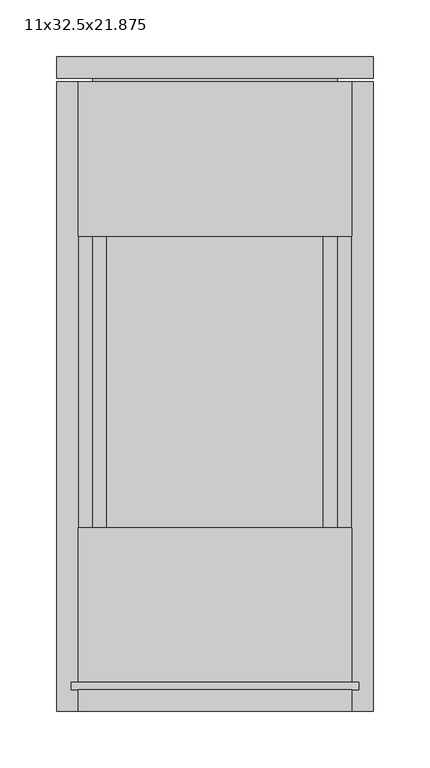
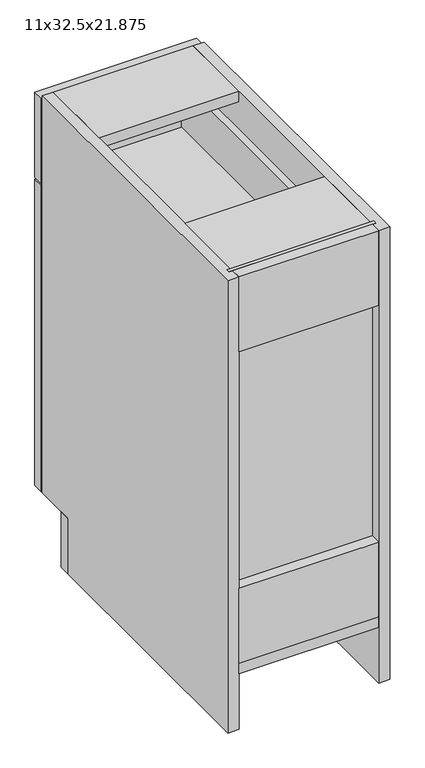
"""IFC4 building model written with IfcOpenShell, lengths in millimetres: furniture geometry, 11x32.5x21.875."""

from ifc_helpers import new_model, si_unit, frame, origin, origin_with_axes, place, context, project, spatial, polyline, outline, extrude, source, transform, mapped, element, save


def furniture_11x32_5x21_875_c1a899d2(model_context):
    return source(origin(), model_context, "Body", "SweptSolid", [
        extrude(outline(polyline([(-120.9622951, 498.475), (158.4377049, 498.475), (158.4377049, 479.425), (-120.9622951, 479.425), (-120.9622951, 498.475)])), origin_with_axes(), (0.0, 0.0, 1.0), 101.6),
        extrude(outline(polyline([(113.9877049, 63.5), (-76.5122951, 63.5), (-76.5122951, 546.1), (113.9877049, 546.1), (113.9877049, 63.5)])), frame((0.0, 0.0, 685.8), z_axis=(0.0, 0.0, 1.0), x_axis=(1.0, 0.0, 0.0)), (0.0, 0.0, 1.0), 6.35),
        extrude(outline(polyline([(126.6877049, 558.8), (126.6877049, 50.8), (-89.2122951, 50.8), (-89.2122951, 558.8), (126.6877049, 558.8)]), holes=[polyline([(113.9877049, 63.5), (113.9877049, 546.1), (-76.5122951, 546.1), (-76.5122951, 63.5), (113.9877049, 63.5)])]), frame((0.0, 0.0, 673.1), z_axis=(0.0, 0.0, 1.0), x_axis=(1.0, 0.0, 0.0)), (0.0, 0.0, 1.0), 101.6),
        extrude(outline(polyline([(139.3877049, 555.625), (139.3877049, 25.4), (-101.9122951, 25.4), (-101.9122951, 555.625), (139.3877049, 555.625)])), frame((0.0, 0.0, 382.5875), z_axis=(0.0, 0.0, 1.0), x_axis=(1.0, 0.0, 0.0)), (0.0, 0.0, 1.0), 19.05),
        extrude(outline(polyline([(139.3877049, 19.05), (139.3877049, 0.0), (-101.9122951, 0.0), (-101.9122951, 19.05), (139.3877049, 19.05)])), frame((0.0, 0.0, 688.975), z_axis=(0.0, 0.0, 1.0), x_axis=(1.0, 0.0, 0.0)), (0.0, 0.0, 1.0), 136.525),
        extrude(outline(polyline([(139.3877049, 19.05), (139.3877049, 0.0), (-101.9122951, 0.0), (-101.9122951, 19.05), (139.3877049, 19.05)])), frame((0.0, 0.0, 120.65), z_axis=(0.0, 0.0, 1.0), x_axis=(1.0, 0.0, 0.0)), (0.0, 0.0, 1.0), 136.525),
        extrude(outline(polyline([(145.7377049, 25.4), (145.7377049, 19.05), (-108.2622951, 19.05), (-108.2622951, 25.4), (145.7377049, 25.4)])), frame((0.0, 0.0, 114.3), z_axis=(0.0, 0.0, 1.0), x_axis=(1.0, 0.0, 0.0)), (0.0, 0.0, 1.0), 711.2),
        extrude(outline(polyline([(139.3877049, 419.1), (-101.9122951, 419.1), (-101.9122951, 555.625), (139.3877049, 555.625), (139.3877049, 419.1)])), frame((0.0, 0.0, 644.525), z_axis=(0.0, 0.0, 1.0), x_axis=(1.0, 0.0, 0.0)), (0.0, 0.0, 1.0), 19.05),
        extrude(outline(polyline([(139.3877049, 25.4), (-101.9122951, 25.4), (-101.9122951, 161.925), (139.3877049, 161.925), (139.3877049, 25.4)])), frame((0.0, 0.0, 806.45), z_axis=(0.0, 0.0, 1.0), x_axis=(1.0, 0.0, 0.0)), (0.0, 0.0, 1.0), 19.05),
        extrude(outline(polyline([(139.3877049, 419.1), (-101.9122951, 419.1), (-101.9122951, 555.625), (139.3877049, 555.625), (139.3877049, 419.1)])), frame((0.0, 0.0, 806.45), z_axis=(0.0, 0.0, 1.0), x_axis=(1.0, 0.0, 0.0)), (0.0, 0.0, 1.0), 19.05),
        extrude(outline(polyline([(139.3877049, 0.0), (-101.9122951, 0.0), (-101.9122951, 555.625), (139.3877049, 555.625), (139.3877049, 0.0)])), frame((0.0, 0.0, 101.6), z_axis=(0.0, 0.0, 1.0), x_axis=(1.0, 0.0, 0.0)), (0.0, 0.0, 1.0), 19.05),
        extrude(outline(polyline([(0.0, 825.5), (555.625, 825.5), (555.625, 101.6), (479.425, 101.6), (479.425, 0.0), (0.0, 0.0), (0.0, 825.5)])), frame((139.3877049, 0.0, 0.0), z_axis=(1.0, 0.0, 0.0), x_axis=(0.0, 1.0, 0.0)), (0.0, 0.0, 1.0), 19.05),
        extrude(outline(polyline([(479.425, 0.0), (0.0, 0.0), (0.0, 825.5), (555.625, 825.5), (555.625, 101.6), (479.425, 101.6), (479.425, 0.0)])), frame((-120.9622951, 0.0, 0.0), z_axis=(1.0, 0.0, 0.0), x_axis=(0.0, 1.0, 0.0)), (0.0, 0.0, 1.0), 19.05),
        extrude(outline(polyline([(158.4377049, 577.85), (158.4377049, 558.8), (-120.9622951, 558.8), (-120.9622951, 577.85), (158.4377049, 577.85)])), frame((0.0, 0.0, 663.575), z_axis=(0.0, 0.0, 1.0), x_axis=(1.0, 0.0, 0.0)), (0.0, 0.0, 1.0), 155.575),
        extrude(outline(polyline([(158.4377049, 577.85), (158.4377049, 558.8), (-120.9622951, 558.8), (-120.9622951, 577.85), (158.4377049, 577.85)])), frame((0.0, 0.0, 101.6), z_axis=(0.0, 0.0, 1.0), x_axis=(1.0, 0.0, 0.0)), (0.0, 0.0, 1.0), 558.8),
    ])


if __name__ == "__main__":
    model = new_model("IFC4")
    model_context = context("Model", 3, world=origin())
    ifc_project = project(units=[si_unit("LENGTHUNIT", "METRE", prefix="MILLI")], contexts=[model_context])
    site = spatial("IfcSite", under=ifc_project)
    building = spatial("IfcBuilding", under=site)
    placement = place(None, origin())
    furniture_11x32_5x21_875_shape = furniture_11x32_5x21_875_c1a899d2(model_context)
    element("IfcFurniture", 1, ObjectType="11x32.5x21.875", at=placement, inside=building, context=model_context, shape_type="MappedRepresentation", body=[
        mapped(furniture_11x32_5x21_875_shape, transform((0.0, 0.0, 0.0), x_axis=(1.0, 0.0, 0.0), y_axis=(0.0, 1.0, 0.0), z_axis=(0.0, 0.0, 1.0))),
    ])
    save(model, "model.ifc")
